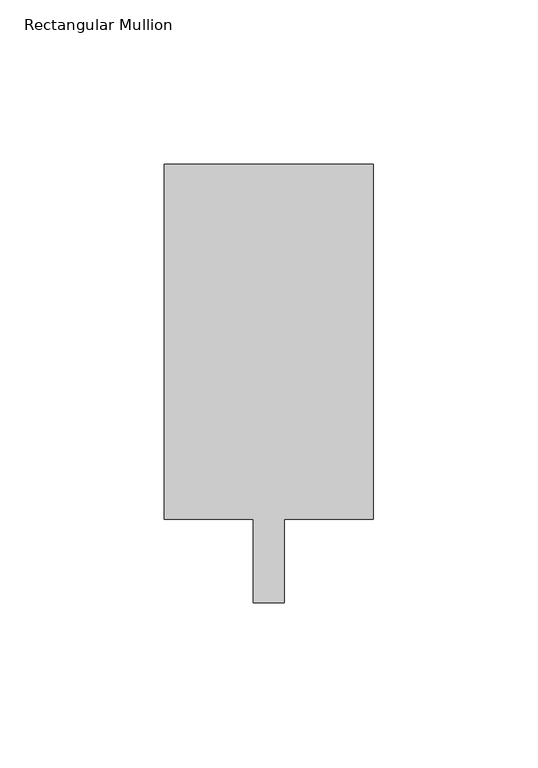
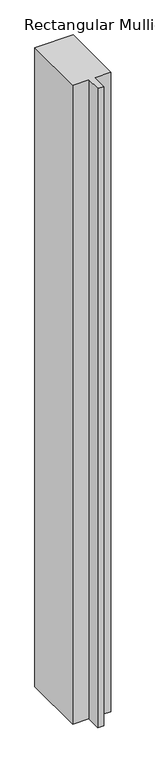
"""IFC4 building model written with IfcOpenShell, lengths in millimetres: member geometry, Rectangular Mullion."""

from ifc_helpers import new_model, si_unit, frame, origin, place, context, project, spatial, polyline, outline, extrude, source, transform, mapped, element, save


def rectangular_mullion_24f3259c(model_context):
    return source(origin(), model_context, "Body", "SweptSolid", [
        extrude(outline(polyline([(-4.7625, 12.7), (-31.75, 12.7), (-31.75, 120.65), (31.75, 120.65), (31.75, 12.7), (4.7625, 12.7), (4.7625, -12.7), (-4.7625, -12.7), (-4.7625, 12.7)])), frame((0.0, 0.0, -1117.6), z_axis=(0.0, 0.0, 1.0), x_axis=(1.0, 0.0, 0.0)), (0.0, 0.0, 1.0), 1117.6),
    ])


if __name__ == "__main__":
    model = new_model("IFC4")
    model_context = context("Model", 3, world=origin())
    ifc_project = project(units=[si_unit("LENGTHUNIT", "METRE", prefix="MILLI")], contexts=[model_context])
    site = spatial("IfcSite", under=ifc_project)
    building = spatial("IfcBuilding", under=site)
    placement = place(None, origin())
    rectangular_mullion_shape = rectangular_mullion_24f3259c(model_context)
    element("IfcMember", 1, ObjectType="Rectangular Mullion", at=placement, inside=building, context=model_context, shape_type="MappedRepresentation", body=[
        mapped(rectangular_mullion_shape, transform((0.0, 0.0, 0.0), x_axis=(1.0, 0.0, 0.0), y_axis=(0.0, 1.0, 0.0), z_axis=(0.0, 0.0, 1.0))),
    ])
    save(model, "model.ifc")
